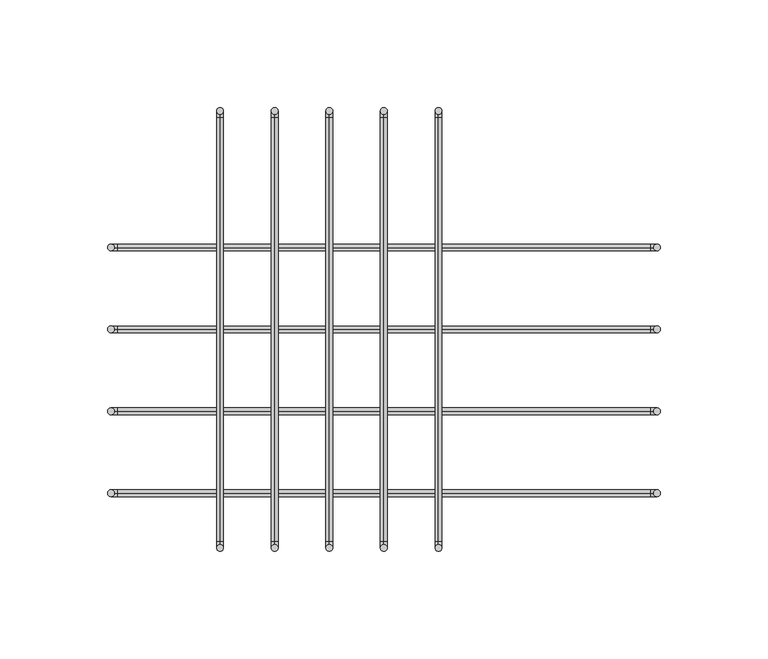
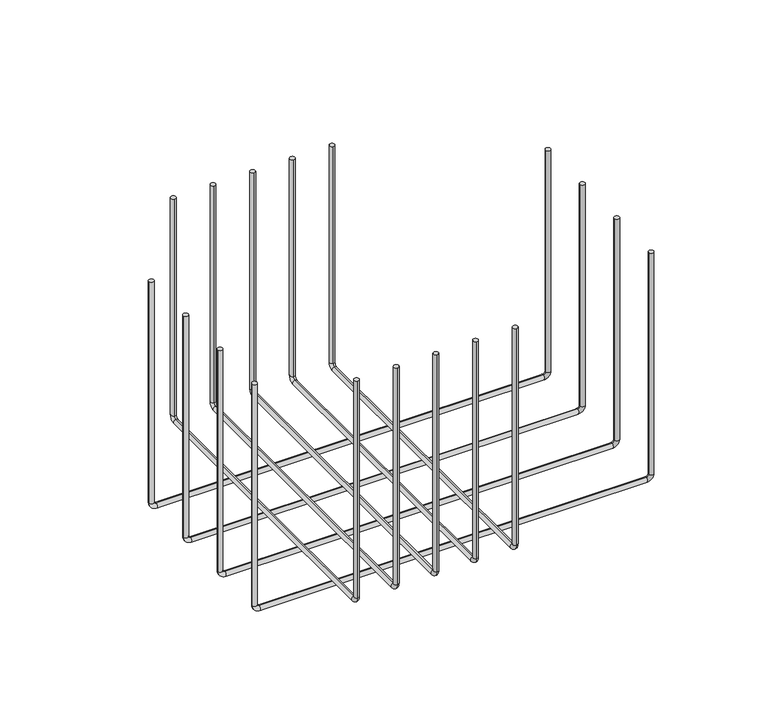
"""IFC4 building model written with IfcOpenShell, lengths in millimetres: furniture geometry."""

from ifc_helpers import new_model, si_unit, point, frame, origin, place, context, project, spatial, circle_curve, ellipse_curve, trimmed, source, transform, mapped, element, save
from ifc_brep_helpers import plane_surface, cylinder_surface, revolved_surface, advanced_brep


def furniture_e6deb5ba(model_context):
    return source(origin(), model_context, "Body", "AdvancedBrep", [
        advanced_brep(
        [(25.34412, -144.3898724, 1207.8866133), (25.34412, -141.2148724, 1207.8866133), (25.34412, 61.9851276, 1207.8866133), (25.34412, 58.8101276, 1207.8866133), (25.34412, -144.3898724, 1061.0687167), (25.34412, -141.2148724, 1061.0687167), (25.34412, -139.6273724, 1059.4812167), (25.34412, -139.6273724, 1056.3062167), (25.34412, 57.2226276, 1056.3062167), (25.34412, 57.2226276, 1059.4812167), (25.34412, 58.8101276, 1061.0687167), (25.34412, 61.9851276, 1061.0687167)],
        [
            (0, 1, circle_curve(frame((25.34412, -142.8023724, 1207.8866133), z_axis=(0.0, 0.0, 1.0), x_axis=(1.0, 0.0, 0.0)), 1.5875)),
            (1, 0, circle_curve(frame((25.34412, -142.8023724, 1207.8866133), z_axis=(0.0, 0.0, 1.0), x_axis=(1.0, 0.0, 0.0)), 1.5875)),
            (2, 3, circle_curve(frame((25.34412, 60.3976276, 1207.8866133), z_axis=(0.0, 0.0, 1.0), x_axis=(1.0, 0.0, 0.0)), 1.5875)),
            (3, 2, circle_curve(frame((25.34412, 60.3976276, 1207.8866133), z_axis=(0.0, 0.0, 1.0), x_axis=(1.0, 0.0, 0.0)), 1.5875)),
            (0, 4),
            (4, 5, circle_curve(frame((25.34412, -142.8023724, 1061.0687167), z_axis=(0.0, 0.0, 1.0), x_axis=(1.0, 0.0, 0.0)), 1.5875)),
            (5, 1),
            (5, 4, circle_curve(frame((25.34412, -142.8023724, 1061.0687167), z_axis=(0.0, 0.0, 1.0), x_axis=(1.0, 0.0, 0.0)), 1.5875)),
            (6, 7, circle_curve(frame((25.34412, -139.6273724, 1057.8937167), z_axis=(0.0, 1.0, 0.0), x_axis=(1.0, 0.0, 0.0)), 1.5875)),
            (7, 8),
            (8, 9, circle_curve(frame((25.34412, 57.2226276, 1057.8937167), z_axis=(0.0, -1.0, 0.0), x_axis=(1.0, 0.0, 0.0)), 1.5875)),
            (9, 6),
            (7, 6, circle_curve(frame((25.34412, -139.6273724, 1057.8937167), z_axis=(0.0, 1.0, 0.0), x_axis=(1.0, 0.0, 0.0)), 1.5875)),
            (9, 8, circle_curve(frame((25.34412, 57.2226276, 1057.8937167), z_axis=(0.0, -1.0, 0.0), x_axis=(1.0, 0.0, 0.0)), 1.5875)),
            (10, 11, circle_curve(frame((25.34412, 60.3976276, 1061.0687167), z_axis=(0.0, 0.0, 1.0), x_axis=(1.0, 0.0, 0.0)), 1.5875)),
            (11, 2),
            (3, 10),
            (11, 10, circle_curve(frame((25.34412, 60.3976276, 1061.0687167), z_axis=(0.0, 0.0, 1.0), x_axis=(1.0, 0.0, 0.0)), 1.5875)),
            (6, 5, circle_curve(frame((25.34412, -139.6273724, 1061.0687167), z_axis=(-1.0, 0.0, 0.0), x_axis=(0.0, -1.0, 0.0)), 1.5875)),
            (4, 7, circle_curve(frame((25.34412, -139.6273724, 1061.0687167), z_axis=(1.0, 0.0, 0.0), x_axis=(0.0, -1.0, 0.0)), 4.7625)),
            (10, 9, circle_curve(frame((25.34412, 57.2226276, 1061.0687167), z_axis=(-1.0, 0.0, 0.0), x_axis=(0.0, 0.0, -1.0)), 1.5875)),
            (8, 11, circle_curve(frame((25.34412, 57.2226276, 1061.0687167), z_axis=(1.0, 0.0, 0.0), x_axis=(0.0, 0.0, -1.0)), 4.7625)),
        ],
        [
            plane_surface(frame((25.34412, -144.3898724, 1207.8866133), z_axis=(0.0, 0.0, 1.0), x_axis=(1.0, 0.0, 0.0))),
            plane_surface(frame((25.34412, 61.9851276, 1207.8866133), z_axis=(0.0, 0.0, 1.0), x_axis=(1.0, 0.0, 0.0))),
            cylinder_surface(frame((25.34412, -142.8023724, 1207.8866133), z_axis=(0.0, 0.0, 1.0), x_axis=(1.0, 0.0, 0.0)), 1.5875),
            cylinder_surface(frame((25.34412, -139.6273724, 1057.8937167), z_axis=(0.0, -1.0, 0.0), x_axis=(1.0, 0.0, 0.0)), 1.5875),
            cylinder_surface(frame((25.34412, 60.3976276, 1061.0687167), z_axis=(0.0, 0.0, -1.0), x_axis=(1.0, 0.0, 0.0)), 1.5875),
            revolved_surface(trimmed(ellipse_curve(frame((25.34412, -142.8023724, 1061.0687167), z_axis=(0.0, 0.0, 1.0), x_axis=(1.0, 0.0, 0.0)), 1.5875, 1.5875), [point((25.34412, -144.3898724, 1061.0687167))], [point((25.34412, -141.2148724, 1061.0687167))], True, "CARTESIAN"), (25.34412, -139.6273724, 1061.0687167), (1.0, 0.0, 0.0)),
            revolved_surface(trimmed(ellipse_curve(frame((25.34412, -142.8023724, 1061.0687167), z_axis=(0.0, 0.0, 1.0), x_axis=(1.0, 0.0, 0.0)), 1.5875, 1.5875), [point((25.34412, -141.2148724, 1061.0687167))], [point((25.34412, -144.3898724, 1061.0687167))], True, "CARTESIAN"), (25.34412, -139.6273724, 1061.0687167), (1.0, 0.0, 0.0)),
            revolved_surface(trimmed(ellipse_curve(frame((25.34412, 57.2226276, 1057.8937167), z_axis=(0.0, -1.0, 0.0), x_axis=(1.0, 0.0, 0.0)), 1.5875, 1.5875), [point((25.34412, 57.2226276, 1056.3062167))], [point((25.34412, 57.2226276, 1059.4812167))], True, "CARTESIAN"), (25.34412, 57.2226276, 1061.0687167), (1.0, 0.0, 0.0)),
            revolved_surface(trimmed(ellipse_curve(frame((25.34412, 57.2226276, 1057.8937167), z_axis=(0.0, -1.0, 0.0), x_axis=(1.0, 0.0, 0.0)), 1.5875, 1.5875), [point((25.34412, 57.2226276, 1059.4812167))], [point((25.34412, 57.2226276, 1056.3062167))], True, "CARTESIAN"), (25.34412, 57.2226276, 1061.0687167), (1.0, 0.0, 0.0)),
        ],
        [
            (0, [[1, 2]]),
            (1, [[3, 4]]),
            (2, [[-1, 5, 6, 7]]),
            (2, [[-2, -7, 8, -5]]),
            (3, [[9, 10, 11, 12]]),
            (3, [[13, -12, 14, -10]]),
            (4, [[15, 16, -4, 17]]),
            (4, [[18, -17, -3, -16]]),
            (5, [[19, -6, 20, -9]]),
            (6, [[-20, -8, -19, -13]]),
            (7, [[21, -11, 22, -15]]),
            (8, [[-22, -14, -21, -18]]),
        ],
    ),
        advanced_brep(
        [(-0.05588, -144.3898724, 1207.8866133), (-0.05588, -141.2148724, 1207.8866133), (-0.05588, 61.9851276, 1207.8866133), (-0.05588, 58.8101276, 1207.8866133), (-0.05588, -144.3898724, 1061.0687167), (-0.05588, -141.2148724, 1061.0687167), (-0.05588, -139.6273724, 1059.4812167), (-0.05588, -139.6273724, 1056.3062167), (-0.05588, 57.2226276, 1056.3062167), (-0.05588, 57.2226276, 1059.4812167), (-0.05588, 58.8101276, 1061.0687167), (-0.05588, 61.9851276, 1061.0687167)],
        [
            (0, 1, circle_curve(frame((-0.05588, -142.8023724, 1207.8866133), z_axis=(0.0, 0.0, 1.0), x_axis=(1.0, 0.0, 0.0)), 1.5875)),
            (1, 0, circle_curve(frame((-0.05588, -142.8023724, 1207.8866133), z_axis=(0.0, 0.0, 1.0), x_axis=(1.0, 0.0, 0.0)), 1.5875)),
            (2, 3, circle_curve(frame((-0.05588, 60.3976276, 1207.8866133), z_axis=(0.0, 0.0, 1.0), x_axis=(1.0, 0.0, 0.0)), 1.5875)),
            (3, 2, circle_curve(frame((-0.05588, 60.3976276, 1207.8866133), z_axis=(0.0, 0.0, 1.0), x_axis=(1.0, 0.0, 0.0)), 1.5875)),
            (0, 4),
            (4, 5, circle_curve(frame((-0.05588, -142.8023724, 1061.0687167), z_axis=(0.0, 0.0, 1.0), x_axis=(1.0, 0.0, 0.0)), 1.5875)),
            (5, 1),
            (5, 4, circle_curve(frame((-0.05588, -142.8023724, 1061.0687167), z_axis=(0.0, 0.0, 1.0), x_axis=(1.0, 0.0, 0.0)), 1.5875)),
            (6, 7, circle_curve(frame((-0.05588, -139.6273724, 1057.8937167), z_axis=(0.0, 1.0, 0.0), x_axis=(1.0, 0.0, 0.0)), 1.5875)),
            (7, 8),
            (8, 9, circle_curve(frame((-0.05588, 57.2226276, 1057.8937167), z_axis=(0.0, -1.0, 0.0), x_axis=(1.0, 0.0, 0.0)), 1.5875)),
            (9, 6),
            (7, 6, circle_curve(frame((-0.05588, -139.6273724, 1057.8937167), z_axis=(0.0, 1.0, 0.0), x_axis=(1.0, 0.0, 0.0)), 1.5875)),
            (9, 8, circle_curve(frame((-0.05588, 57.2226276, 1057.8937167), z_axis=(0.0, -1.0, 0.0), x_axis=(1.0, 0.0, 0.0)), 1.5875)),
            (10, 11, circle_curve(frame((-0.05588, 60.3976276, 1061.0687167), z_axis=(0.0, 0.0, 1.0), x_axis=(1.0, 0.0, 0.0)), 1.5875)),
            (11, 2),
            (3, 10),
            (11, 10, circle_curve(frame((-0.05588, 60.3976276, 1061.0687167), z_axis=(0.0, 0.0, 1.0), x_axis=(1.0, 0.0, 0.0)), 1.5875)),
            (6, 5, circle_curve(frame((-0.05588, -139.6273724, 1061.0687167), z_axis=(-1.0, 0.0, 0.0), x_axis=(0.0, -1.0, 0.0)), 1.5875)),
            (4, 7, circle_curve(frame((-0.05588, -139.6273724, 1061.0687167), z_axis=(1.0, 0.0, 0.0), x_axis=(0.0, -1.0, 0.0)), 4.7625)),
            (10, 9, circle_curve(frame((-0.05588, 57.2226276, 1061.0687167), z_axis=(-1.0, 0.0, 0.0), x_axis=(0.0, 0.0, -1.0)), 1.5875)),
            (8, 11, circle_curve(frame((-0.05588, 57.2226276, 1061.0687167), z_axis=(1.0, 0.0, 0.0), x_axis=(0.0, 0.0, -1.0)), 4.7625)),
        ],
        [
            plane_surface(frame((-0.05588, -144.3898724, 1207.8866133), z_axis=(0.0, 0.0, 1.0), x_axis=(1.0, 0.0, 0.0))),
            plane_surface(frame((-0.05588, 61.9851276, 1207.8866133), z_axis=(0.0, 0.0, 1.0), x_axis=(1.0, 0.0, 0.0))),
            cylinder_surface(frame((-0.05588, -142.8023724, 1207.8866133), z_axis=(0.0, 0.0, 1.0), x_axis=(1.0, 0.0, 0.0)), 1.5875),
            cylinder_surface(frame((-0.05588, -139.6273724, 1057.8937167), z_axis=(0.0, -1.0, 0.0), x_axis=(1.0, 0.0, 0.0)), 1.5875),
            cylinder_surface(frame((-0.05588, 60.3976276, 1061.0687167), z_axis=(0.0, 0.0, -1.0), x_axis=(1.0, 0.0, 0.0)), 1.5875),
            revolved_surface(trimmed(ellipse_curve(frame((-0.05588, -142.8023724, 1061.0687167), z_axis=(0.0, 0.0, 1.0), x_axis=(1.0, 0.0, 0.0)), 1.5875, 1.5875), [point((-0.05588, -144.3898724, 1061.0687167))], [point((-0.05588, -141.2148724, 1061.0687167))], True, "CARTESIAN"), (-0.05588, -139.6273724, 1061.0687167), (1.0, 0.0, 0.0)),
            revolved_surface(trimmed(ellipse_curve(frame((-0.05588, -142.8023724, 1061.0687167), z_axis=(0.0, 0.0, 1.0), x_axis=(1.0, 0.0, 0.0)), 1.5875, 1.5875), [point((-0.05588, -141.2148724, 1061.0687167))], [point((-0.05588, -144.3898724, 1061.0687167))], True, "CARTESIAN"), (-0.05588, -139.6273724, 1061.0687167), (1.0, 0.0, 0.0)),
            revolved_surface(trimmed(ellipse_curve(frame((-0.05588, 57.2226276, 1057.8937167), z_axis=(0.0, -1.0, 0.0), x_axis=(1.0, 0.0, 0.0)), 1.5875, 1.5875), [point((-0.05588, 57.2226276, 1056.3062167))], [point((-0.05588, 57.2226276, 1059.4812167))], True, "CARTESIAN"), (-0.05588, 57.2226276, 1061.0687167), (1.0, 0.0, 0.0)),
            revolved_surface(trimmed(ellipse_curve(frame((-0.05588, 57.2226276, 1057.8937167), z_axis=(0.0, -1.0, 0.0), x_axis=(1.0, 0.0, 0.0)), 1.5875, 1.5875), [point((-0.05588, 57.2226276, 1059.4812167))], [point((-0.05588, 57.2226276, 1056.3062167))], True, "CARTESIAN"), (-0.05588, 57.2226276, 1061.0687167), (1.0, 0.0, 0.0)),
        ],
        [
            (0, [[1, 2]]),
            (1, [[3, 4]]),
            (2, [[-1, 5, 6, 7]]),
            (2, [[-2, -7, 8, -5]]),
            (3, [[9, 10, 11, 12]]),
            (3, [[13, -12, 14, -10]]),
            (4, [[15, 16, -4, 17]]),
            (4, [[18, -17, -3, -16]]),
            (5, [[19, -6, 20, -9]]),
            (6, [[-20, -8, -19, -13]]),
            (7, [[21, -11, 22, -15]]),
            (8, [[-22, -14, -21, -18]]),
        ],
    ),
        advanced_brep(
        [(-25.45588, -144.3898724, 1207.8866133), (-25.45588, -141.2148724, 1207.8866133), (-25.45588, 61.9851276, 1207.8866133), (-25.45588, 58.8101276, 1207.8866133), (-25.45588, -144.3898724, 1061.0687167), (-25.45588, -141.2148724, 1061.0687167), (-25.45588, -139.6273724, 1059.4812167), (-25.45588, -139.6273724, 1056.3062167), (-25.45588, 57.2226276, 1056.3062167), (-25.45588, 57.2226276, 1059.4812167), (-25.45588, 58.8101276, 1061.0687167), (-25.45588, 61.9851276, 1061.0687167)],
        [
            (0, 1, circle_curve(frame((-25.45588, -142.8023724, 1207.8866133), z_axis=(0.0, 0.0, 1.0), x_axis=(1.0, 0.0, 0.0)), 1.5875)),
            (1, 0, circle_curve(frame((-25.45588, -142.8023724, 1207.8866133), z_axis=(0.0, 0.0, 1.0), x_axis=(1.0, 0.0, 0.0)), 1.5875)),
            (2, 3, circle_curve(frame((-25.45588, 60.3976276, 1207.8866133), z_axis=(0.0, 0.0, 1.0), x_axis=(1.0, 0.0, 0.0)), 1.5875)),
            (3, 2, circle_curve(frame((-25.45588, 60.3976276, 1207.8866133), z_axis=(0.0, 0.0, 1.0), x_axis=(1.0, 0.0, 0.0)), 1.5875)),
            (0, 4),
            (4, 5, circle_curve(frame((-25.45588, -142.8023724, 1061.0687167), z_axis=(0.0, 0.0, 1.0), x_axis=(1.0, 0.0, 0.0)), 1.5875)),
            (5, 1),
            (5, 4, circle_curve(frame((-25.45588, -142.8023724, 1061.0687167), z_axis=(0.0, 0.0, 1.0), x_axis=(1.0, 0.0, 0.0)), 1.5875)),
            (6, 7, circle_curve(frame((-25.45588, -139.6273724, 1057.8937167), z_axis=(0.0, 1.0, 0.0), x_axis=(1.0, 0.0, 0.0)), 1.5875)),
            (7, 8),
            (8, 9, circle_curve(frame((-25.45588, 57.2226276, 1057.8937167), z_axis=(0.0, -1.0, 0.0), x_axis=(1.0, 0.0, 0.0)), 1.5875)),
            (9, 6),
            (7, 6, circle_curve(frame((-25.45588, -139.6273724, 1057.8937167), z_axis=(0.0, 1.0, 0.0), x_axis=(1.0, 0.0, 0.0)), 1.5875)),
            (9, 8, circle_curve(frame((-25.45588, 57.2226276, 1057.8937167), z_axis=(0.0, -1.0, 0.0), x_axis=(1.0, 0.0, 0.0)), 1.5875)),
            (10, 11, circle_curve(frame((-25.45588, 60.3976276, 1061.0687167), z_axis=(0.0, 0.0, 1.0), x_axis=(1.0, 0.0, 0.0)), 1.5875)),
            (11, 2),
            (3, 10),
            (11, 10, circle_curve(frame((-25.45588, 60.3976276, 1061.0687167), z_axis=(0.0, 0.0, 1.0), x_axis=(1.0, 0.0, 0.0)), 1.5875)),
            (6, 5, circle_curve(frame((-25.45588, -139.6273724, 1061.0687167), z_axis=(-1.0, 0.0, 0.0), x_axis=(0.0, -1.0, 0.0)), 1.5875)),
            (4, 7, circle_curve(frame((-25.45588, -139.6273724, 1061.0687167), z_axis=(1.0, 0.0, 0.0), x_axis=(0.0, -1.0, 0.0)), 4.7625)),
            (10, 9, circle_curve(frame((-25.45588, 57.2226276, 1061.0687167), z_axis=(-1.0, 0.0, 0.0), x_axis=(0.0, 0.0, -1.0)), 1.5875)),
            (8, 11, circle_curve(frame((-25.45588, 57.2226276, 1061.0687167), z_axis=(1.0, 0.0, 0.0), x_axis=(0.0, 0.0, -1.0)), 4.7625)),
        ],
        [
            plane_surface(frame((-25.45588, -144.3898724, 1207.8866133), z_axis=(0.0, 0.0, 1.0), x_axis=(1.0, 0.0, 0.0))),
            plane_surface(frame((-25.45588, 61.9851276, 1207.8866133), z_axis=(0.0, 0.0, 1.0), x_axis=(1.0, 0.0, 0.0))),
            cylinder_surface(frame((-25.45588, -142.8023724, 1207.8866133), z_axis=(0.0, 0.0, 1.0), x_axis=(1.0, 0.0, 0.0)), 1.5875),
            cylinder_surface(frame((-25.45588, -139.6273724, 1057.8937167), z_axis=(0.0, -1.0, 0.0), x_axis=(1.0, 0.0, 0.0)), 1.5875),
            cylinder_surface(frame((-25.45588, 60.3976276, 1061.0687167), z_axis=(0.0, 0.0, -1.0), x_axis=(1.0, 0.0, 0.0)), 1.5875),
            revolved_surface(trimmed(ellipse_curve(frame((-25.45588, -142.8023724, 1061.0687167), z_axis=(0.0, 0.0, 1.0), x_axis=(1.0, 0.0, 0.0)), 1.5875, 1.5875), [point((-25.45588, -144.3898724, 1061.0687167))], [point((-25.45588, -141.2148724, 1061.0687167))], True, "CARTESIAN"), (-25.45588, -139.6273724, 1061.0687167), (1.0, 0.0, 0.0)),
            revolved_surface(trimmed(ellipse_curve(frame((-25.45588, -142.8023724, 1061.0687167), z_axis=(0.0, 0.0, 1.0), x_axis=(1.0, 0.0, 0.0)), 1.5875, 1.5875), [point((-25.45588, -141.2148724, 1061.0687167))], [point((-25.45588, -144.3898724, 1061.0687167))], True, "CARTESIAN"), (-25.45588, -139.6273724, 1061.0687167), (1.0, 0.0, 0.0)),
            revolved_surface(trimmed(ellipse_curve(frame((-25.45588, 57.2226276, 1057.8937167), z_axis=(0.0, -1.0, 0.0), x_axis=(1.0, 0.0, 0.0)), 1.5875, 1.5875), [point((-25.45588, 57.2226276, 1056.3062167))], [point((-25.45588, 57.2226276, 1059.4812167))], True, "CARTESIAN"), (-25.45588, 57.2226276, 1061.0687167), (1.0, 0.0, 0.0)),
            revolved_surface(trimmed(ellipse_curve(frame((-25.45588, 57.2226276, 1057.8937167), z_axis=(0.0, -1.0, 0.0), x_axis=(1.0, 0.0, 0.0)), 1.5875, 1.5875), [point((-25.45588, 57.2226276, 1059.4812167))], [point((-25.45588, 57.2226276, 1056.3062167))], True, "CARTESIAN"), (-25.45588, 57.2226276, 1061.0687167), (1.0, 0.0, 0.0)),
        ],
        [
            (0, [[1, 2]]),
            (1, [[3, 4]]),
            (2, [[-1, 5, 6, 7]]),
            (2, [[-2, -7, 8, -5]]),
            (3, [[9, 10, 11, 12]]),
            (3, [[13, -12, 14, -10]]),
            (4, [[15, 16, -4, 17]]),
            (4, [[18, -17, -3, -16]]),
            (5, [[19, -6, 20, -9]]),
            (6, [[-20, -8, -19, -13]]),
            (7, [[21, -11, 22, -15]]),
            (8, [[-22, -14, -21, -18]]),
        ],
    ),
        advanced_brep(
        [(-50.85588, -144.3898724, 1207.8866133), (-50.85588, -141.2148724, 1207.8866133), (-50.85588, 61.9851276, 1207.8866133), (-50.85588, 58.8101276, 1207.8866133), (-50.85588, -144.3898724, 1061.0687167), (-50.85588, -141.2148724, 1061.0687167), (-50.85588, -139.6273724, 1059.4812167), (-50.85588, -139.6273724, 1056.3062167), (-50.85588, 57.2226276, 1056.3062167), (-50.85588, 57.2226276, 1059.4812167), (-50.85588, 58.8101276, 1061.0687167), (-50.85588, 61.9851276, 1061.0687167)],
        [
            (0, 1, circle_curve(frame((-50.85588, -142.8023724, 1207.8866133), z_axis=(0.0, 0.0, 1.0), x_axis=(1.0, 0.0, 0.0)), 1.5875)),
            (1, 0, circle_curve(frame((-50.85588, -142.8023724, 1207.8866133), z_axis=(0.0, 0.0, 1.0), x_axis=(1.0, 0.0, 0.0)), 1.5875)),
            (2, 3, circle_curve(frame((-50.85588, 60.3976276, 1207.8866133), z_axis=(0.0, 0.0, 1.0), x_axis=(1.0, 0.0, 0.0)), 1.5875)),
            (3, 2, circle_curve(frame((-50.85588, 60.3976276, 1207.8866133), z_axis=(0.0, 0.0, 1.0), x_axis=(1.0, 0.0, 0.0)), 1.5875)),
            (0, 4),
            (4, 5, circle_curve(frame((-50.85588, -142.8023724, 1061.0687167), z_axis=(0.0, 0.0, 1.0), x_axis=(1.0, 0.0, 0.0)), 1.5875)),
            (5, 1),
            (5, 4, circle_curve(frame((-50.85588, -142.8023724, 1061.0687167), z_axis=(0.0, 0.0, 1.0), x_axis=(1.0, 0.0, 0.0)), 1.5875)),
            (6, 7, circle_curve(frame((-50.85588, -139.6273724, 1057.8937167), z_axis=(0.0, 1.0, 0.0), x_axis=(1.0, 0.0, 0.0)), 1.5875)),
            (7, 8),
            (8, 9, circle_curve(frame((-50.85588, 57.2226276, 1057.8937167), z_axis=(0.0, -1.0, 0.0), x_axis=(1.0, 0.0, 0.0)), 1.5875)),
            (9, 6),
            (7, 6, circle_curve(frame((-50.85588, -139.6273724, 1057.8937167), z_axis=(0.0, 1.0, 0.0), x_axis=(1.0, 0.0, 0.0)), 1.5875)),
            (9, 8, circle_curve(frame((-50.85588, 57.2226276, 1057.8937167), z_axis=(0.0, -1.0, 0.0), x_axis=(1.0, 0.0, 0.0)), 1.5875)),
            (10, 11, circle_curve(frame((-50.85588, 60.3976276, 1061.0687167), z_axis=(0.0, 0.0, 1.0), x_axis=(1.0, 0.0, 0.0)), 1.5875)),
            (11, 2),
            (3, 10),
            (11, 10, circle_curve(frame((-50.85588, 60.3976276, 1061.0687167), z_axis=(0.0, 0.0, 1.0), x_axis=(1.0, 0.0, 0.0)), 1.5875)),
            (6, 5, circle_curve(frame((-50.85588, -139.6273724, 1061.0687167), z_axis=(-1.0, 0.0, 0.0), x_axis=(0.0, -1.0, 0.0)), 1.5875)),
            (4, 7, circle_curve(frame((-50.85588, -139.6273724, 1061.0687167), z_axis=(1.0, 0.0, 0.0), x_axis=(0.0, -1.0, 0.0)), 4.7625)),
            (10, 9, circle_curve(frame((-50.85588, 57.2226276, 1061.0687167), z_axis=(-1.0, 0.0, 0.0), x_axis=(0.0, 0.0, -1.0)), 1.5875)),
            (8, 11, circle_curve(frame((-50.85588, 57.2226276, 1061.0687167), z_axis=(1.0, 0.0, 0.0), x_axis=(0.0, 0.0, -1.0)), 4.7625)),
        ],
        [
            plane_surface(frame((-50.85588, -144.3898724, 1207.8866133), z_axis=(0.0, 0.0, 1.0), x_axis=(1.0, 0.0, 0.0))),
            plane_surface(frame((-50.85588, 61.9851276, 1207.8866133), z_axis=(0.0, 0.0, 1.0), x_axis=(1.0, 0.0, 0.0))),
            cylinder_surface(frame((-50.85588, -142.8023724, 1207.8866133), z_axis=(0.0, 0.0, 1.0), x_axis=(1.0, 0.0, 0.0)), 1.5875),
            cylinder_surface(frame((-50.85588, -139.6273724, 1057.8937167), z_axis=(0.0, -1.0, 0.0), x_axis=(1.0, 0.0, 0.0)), 1.5875),
            cylinder_surface(frame((-50.85588, 60.3976276, 1061.0687167), z_axis=(0.0, 0.0, -1.0), x_axis=(1.0, 0.0, 0.0)), 1.5875),
            revolved_surface(trimmed(ellipse_curve(frame((-50.85588, -142.8023724, 1061.0687167), z_axis=(0.0, 0.0, 1.0), x_axis=(1.0, 0.0, 0.0)), 1.5875, 1.5875), [point((-50.85588, -144.3898724, 1061.0687167))], [point((-50.85588, -141.2148724, 1061.0687167))], True, "CARTESIAN"), (-50.85588, -139.6273724, 1061.0687167), (1.0, 0.0, 0.0)),
            revolved_surface(trimmed(ellipse_curve(frame((-50.85588, -142.8023724, 1061.0687167), z_axis=(0.0, 0.0, 1.0), x_axis=(1.0, 0.0, 0.0)), 1.5875, 1.5875), [point((-50.85588, -141.2148724, 1061.0687167))], [point((-50.85588, -144.3898724, 1061.0687167))], True, "CARTESIAN"), (-50.85588, -139.6273724, 1061.0687167), (1.0, 0.0, 0.0)),
            revolved_surface(trimmed(ellipse_curve(frame((-50.85588, 57.2226276, 1057.8937167), z_axis=(0.0, -1.0, 0.0), x_axis=(1.0, 0.0, 0.0)), 1.5875, 1.5875), [point((-50.85588, 57.2226276, 1056.3062167))], [point((-50.85588, 57.2226276, 1059.4812167))], True, "CARTESIAN"), (-50.85588, 57.2226276, 1061.0687167), (1.0, 0.0, 0.0)),
            revolved_surface(trimmed(ellipse_curve(frame((-50.85588, 57.2226276, 1057.8937167), z_axis=(0.0, -1.0, 0.0), x_axis=(1.0, 0.0, 0.0)), 1.5875, 1.5875), [point((-50.85588, 57.2226276, 1059.4812167))], [point((-50.85588, 57.2226276, 1056.3062167))], True, "CARTESIAN"), (-50.85588, 57.2226276, 1061.0687167), (1.0, 0.0, 0.0)),
        ],
        [
            (0, [[1, 2]]),
            (1, [[3, 4]]),
            (2, [[-1, 5, 6, 7]]),
            (2, [[-2, -7, 8, -5]]),
            (3, [[9, 10, 11, 12]]),
            (3, [[13, -12, 14, -10]]),
            (4, [[15, 16, -4, 17]]),
            (4, [[18, -17, -3, -16]]),
            (5, [[19, -6, 20, -9]]),
            (6, [[-20, -8, -19, -13]]),
            (7, [[21, -11, 22, -15]]),
            (8, [[-22, -14, -21, -18]]),
        ],
    ),
        advanced_brep(
        [(128.5875, -3.1023724, 1207.8866133), (125.4125, -3.1023724, 1207.8866133), (-128.5875, -3.1023724, 1207.8866133), (-125.4125, -3.1023724, 1207.8866133), (128.5875, -3.1023724, 1057.8937167), (125.4125, -3.1023724, 1057.8937167), (123.825, -3.1023724, 1056.3062167), (123.825, -3.1023724, 1053.1312167), (-123.825, -3.1023724, 1053.1312167), (-123.825, -3.1023724, 1056.3062167), (-125.4125, -3.1023724, 1057.8937167), (-128.5875, -3.1023724, 1057.8937167)],
        [
            (0, 1, circle_curve(frame((127.0, -3.1023724, 1207.8866133), z_axis=(0.0, 0.0, 1.0), x_axis=(0.0, 1.0, 0.0)), 1.5875)),
            (1, 0, circle_curve(frame((127.0, -3.1023724, 1207.8866133), z_axis=(0.0, 0.0, 1.0), x_axis=(0.0, 1.0, 0.0)), 1.5875)),
            (2, 3, circle_curve(frame((-127.0, -3.1023724, 1207.8866133), z_axis=(0.0, 0.0, 1.0), x_axis=(0.0, 1.0, 0.0)), 1.5875)),
            (3, 2, circle_curve(frame((-127.0, -3.1023724, 1207.8866133), z_axis=(0.0, 0.0, 1.0), x_axis=(0.0, 1.0, 0.0)), 1.5875)),
            (0, 4),
            (4, 5, circle_curve(frame((127.0, -3.1023724, 1057.8937167), z_axis=(0.0, 0.0, 1.0), x_axis=(0.0, 1.0, 0.0)), 1.5875)),
            (5, 1),
            (5, 4, circle_curve(frame((127.0, -3.1023724, 1057.8937167), z_axis=(0.0, 0.0, 1.0), x_axis=(0.0, 1.0, 0.0)), 1.5875)),
            (6, 7, circle_curve(frame((123.825, -3.1023724, 1054.7187167), z_axis=(-1.0, 0.0, 0.0), x_axis=(0.0, 1.0, 0.0)), 1.5875)),
            (7, 8),
            (8, 9, circle_curve(frame((-123.825, -3.1023724, 1054.7187167), z_axis=(1.0, 0.0, 0.0), x_axis=(0.0, 1.0, 0.0)), 1.5875)),
            (9, 6),
            (7, 6, circle_curve(frame((123.825, -3.1023724, 1054.7187167), z_axis=(-1.0, 0.0, 0.0), x_axis=(0.0, 1.0, 0.0)), 1.5875)),
            (9, 8, circle_curve(frame((-123.825, -3.1023724, 1054.7187167), z_axis=(1.0, 0.0, 0.0), x_axis=(0.0, 1.0, 0.0)), 1.5875)),
            (10, 11, circle_curve(frame((-127.0, -3.1023724, 1057.8937167), z_axis=(0.0, 0.0, 1.0), x_axis=(0.0, 1.0, 0.0)), 1.5875)),
            (11, 2),
            (3, 10),
            (11, 10, circle_curve(frame((-127.0, -3.1023724, 1057.8937167), z_axis=(0.0, 0.0, 1.0), x_axis=(0.0, 1.0, 0.0)), 1.5875)),
            (6, 5, circle_curve(frame((123.825, -3.1023724, 1057.8937167), z_axis=(0.0, -1.0, 0.0), x_axis=(1.0, 0.0, 0.0)), 1.5875)),
            (4, 7, circle_curve(frame((123.825, -3.1023724, 1057.8937167), z_axis=(0.0, 1.0, 0.0), x_axis=(1.0, 0.0, 0.0)), 4.7625)),
            (10, 9, circle_curve(frame((-123.825, -3.1023724, 1057.8937167), z_axis=(0.0, -1.0, 0.0), x_axis=(0.0, 0.0, -1.0)), 1.5875)),
            (8, 11, circle_curve(frame((-123.825, -3.1023724, 1057.8937167), z_axis=(0.0, 1.0, 0.0), x_axis=(0.0, 0.0, -1.0)), 4.7625)),
        ],
        [
            plane_surface(frame((128.5875, -3.1023724, 1207.8866133), z_axis=(0.0, 0.0, 1.0), x_axis=(0.0, 1.0, 0.0))),
            plane_surface(frame((-128.5875, -3.1023724, 1207.8866133), z_axis=(0.0, 0.0, 1.0), x_axis=(0.0, 1.0, 0.0))),
            cylinder_surface(frame((127.0, -3.1023724, 1207.8866133), z_axis=(0.0, 0.0, 1.0), x_axis=(0.0, 1.0, 0.0)), 1.5875),
            cylinder_surface(frame((123.825, -3.1023724, 1054.7187167), z_axis=(1.0, 0.0, 0.0), x_axis=(0.0, 1.0, 0.0)), 1.5875),
            cylinder_surface(frame((-127.0, -3.1023724, 1057.8937167), z_axis=(0.0, 0.0, -1.0), x_axis=(0.0, 1.0, 0.0)), 1.5875),
            revolved_surface(trimmed(ellipse_curve(frame((127.0, -3.1023724, 1057.8937167), z_axis=(0.0, 0.0, 1.0), x_axis=(0.0, 1.0, 0.0)), 1.5875, 1.5875), [point((128.5875, -3.1023724, 1057.8937167))], [point((125.4125, -3.1023724, 1057.8937167))], True, "CARTESIAN"), (123.825, -3.1023724, 1057.8937167), (0.0, 1.0, 0.0)),
            revolved_surface(trimmed(ellipse_curve(frame((127.0, -3.1023724, 1057.8937167), z_axis=(0.0, 0.0, 1.0), x_axis=(0.0, 1.0, 0.0)), 1.5875, 1.5875), [point((125.4125, -3.1023724, 1057.8937167))], [point((128.5875, -3.1023724, 1057.8937167))], True, "CARTESIAN"), (123.825, -3.1023724, 1057.8937167), (0.0, 1.0, 0.0)),
            revolved_surface(trimmed(ellipse_curve(frame((-123.825, -3.1023724, 1054.7187167), z_axis=(1.0, 0.0, 0.0), x_axis=(0.0, 1.0, 0.0)), 1.5875, 1.5875), [point((-123.825, -3.1023724, 1053.1312167))], [point((-123.825, -3.1023724, 1056.3062167))], True, "CARTESIAN"), (-123.825, -3.1023724, 1057.8937167), (0.0, 1.0, 0.0)),
            revolved_surface(trimmed(ellipse_curve(frame((-123.825, -3.1023724, 1054.7187167), z_axis=(1.0, 0.0, 0.0), x_axis=(0.0, 1.0, 0.0)), 1.5875, 1.5875), [point((-123.825, -3.1023724, 1056.3062167))], [point((-123.825, -3.1023724, 1053.1312167))], True, "CARTESIAN"), (-123.825, -3.1023724, 1057.8937167), (0.0, 1.0, 0.0)),
        ],
        [
            (0, [[1, 2]]),
            (1, [[3, 4]]),
            (2, [[-1, 5, 6, 7]]),
            (2, [[-2, -7, 8, -5]]),
            (3, [[9, 10, 11, 12]]),
            (3, [[13, -12, 14, -10]]),
            (4, [[15, 16, -4, 17]]),
            (4, [[18, -17, -3, -16]]),
            (5, [[19, -6, 20, -9]]),
            (6, [[-20, -8, -19, -13]]),
            (7, [[21, -11, 22, -15]]),
            (8, [[-22, -14, -21, -18]]),
        ],
    ),
        advanced_brep(
        [(128.5875, -41.2023724, 1207.8866133), (125.4125, -41.2023724, 1207.8866133), (-128.5875, -41.2023724, 1207.8866133), (-125.4125, -41.2023724, 1207.8866133), (128.5875, -41.2023724, 1057.8937167), (125.4125, -41.2023724, 1057.8937167), (123.825, -41.2023724, 1056.3062167), (123.825, -41.2023724, 1053.1312167), (-123.825, -41.2023724, 1053.1312167), (-123.825, -41.2023724, 1056.3062167), (-125.4125, -41.2023724, 1057.8937167), (-128.5875, -41.2023724, 1057.8937167)],
        [
            (0, 1, circle_curve(frame((127.0, -41.2023724, 1207.8866133), z_axis=(0.0, 0.0, 1.0), x_axis=(0.0, 1.0, 0.0)), 1.5875)),
            (1, 0, circle_curve(frame((127.0, -41.2023724, 1207.8866133), z_axis=(0.0, 0.0, 1.0), x_axis=(0.0, 1.0, 0.0)), 1.5875)),
            (2, 3, circle_curve(frame((-127.0, -41.2023724, 1207.8866133), z_axis=(0.0, 0.0, 1.0), x_axis=(0.0, 1.0, 0.0)), 1.5875)),
            (3, 2, circle_curve(frame((-127.0, -41.2023724, 1207.8866133), z_axis=(0.0, 0.0, 1.0), x_axis=(0.0, 1.0, 0.0)), 1.5875)),
            (0, 4),
            (4, 5, circle_curve(frame((127.0, -41.2023724, 1057.8937167), z_axis=(0.0, 0.0, 1.0), x_axis=(0.0, 1.0, 0.0)), 1.5875)),
            (5, 1),
            (5, 4, circle_curve(frame((127.0, -41.2023724, 1057.8937167), z_axis=(0.0, 0.0, 1.0), x_axis=(0.0, 1.0, 0.0)), 1.5875)),
            (6, 7, circle_curve(frame((123.825, -41.2023724, 1054.7187167), z_axis=(-1.0, 0.0, 0.0), x_axis=(0.0, 1.0, 0.0)), 1.5875)),
            (7, 8),
            (8, 9, circle_curve(frame((-123.825, -41.2023724, 1054.7187167), z_axis=(1.0, 0.0, 0.0), x_axis=(0.0, 1.0, 0.0)), 1.5875)),
            (9, 6),
            (7, 6, circle_curve(frame((123.825, -41.2023724, 1054.7187167), z_axis=(-1.0, 0.0, 0.0), x_axis=(0.0, 1.0, 0.0)), 1.5875)),
            (9, 8, circle_curve(frame((-123.825, -41.2023724, 1054.7187167), z_axis=(1.0, 0.0, 0.0), x_axis=(0.0, 1.0, 0.0)), 1.5875)),
            (10, 11, circle_curve(frame((-127.0, -41.2023724, 1057.8937167), z_axis=(0.0, 0.0, 1.0), x_axis=(0.0, 1.0, 0.0)), 1.5875)),
            (11, 2),
            (3, 10),
            (11, 10, circle_curve(frame((-127.0, -41.2023724, 1057.8937167), z_axis=(0.0, 0.0, 1.0), x_axis=(0.0, 1.0, 0.0)), 1.5875)),
            (6, 5, circle_curve(frame((123.825, -41.2023724, 1057.8937167), z_axis=(0.0, -1.0, 0.0), x_axis=(1.0, 0.0, 0.0)), 1.5875)),
            (4, 7, circle_curve(frame((123.825, -41.2023724, 1057.8937167), z_axis=(0.0, 1.0, 0.0), x_axis=(1.0, 0.0, 0.0)), 4.7625)),
            (10, 9, circle_curve(frame((-123.825, -41.2023724, 1057.8937167), z_axis=(0.0, -1.0, 0.0), x_axis=(0.0, 0.0, -1.0)), 1.5875)),
            (8, 11, circle_curve(frame((-123.825, -41.2023724, 1057.8937167), z_axis=(0.0, 1.0, 0.0), x_axis=(0.0, 0.0, -1.0)), 4.7625)),
        ],
        [
            plane_surface(frame((128.5875, -41.2023724, 1207.8866133), z_axis=(0.0, 0.0, 1.0), x_axis=(0.0, 1.0, 0.0))),
            plane_surface(frame((-128.5875, -41.2023724, 1207.8866133), z_axis=(0.0, 0.0, 1.0), x_axis=(0.0, 1.0, 0.0))),
            cylinder_surface(frame((127.0, -41.2023724, 1207.8866133), z_axis=(0.0, 0.0, 1.0), x_axis=(0.0, 1.0, 0.0)), 1.5875),
            cylinder_surface(frame((123.825, -41.2023724, 1054.7187167), z_axis=(1.0, 0.0, 0.0), x_axis=(0.0, 1.0, 0.0)), 1.5875),
            cylinder_surface(frame((-127.0, -41.2023724, 1057.8937167), z_axis=(0.0, 0.0, -1.0), x_axis=(0.0, 1.0, 0.0)), 1.5875),
            revolved_surface(trimmed(ellipse_curve(frame((127.0, -41.2023724, 1057.8937167), z_axis=(0.0, 0.0, 1.0), x_axis=(0.0, 1.0, 0.0)), 1.5875, 1.5875), [point((128.5875, -41.2023724, 1057.8937167))], [point((125.4125, -41.2023724, 1057.8937167))], True, "CARTESIAN"), (123.825, -41.2023724, 1057.8937167), (0.0, 1.0, 0.0)),
            revolved_surface(trimmed(ellipse_curve(frame((127.0, -41.2023724, 1057.8937167), z_axis=(0.0, 0.0, 1.0), x_axis=(0.0, 1.0, 0.0)), 1.5875, 1.5875), [point((125.4125, -41.2023724, 1057.8937167))], [point((128.5875, -41.2023724, 1057.8937167))], True, "CARTESIAN"), (123.825, -41.2023724, 1057.8937167), (0.0, 1.0, 0.0)),
            revolved_surface(trimmed(ellipse_curve(frame((-123.825, -41.2023724, 1054.7187167), z_axis=(1.0, 0.0, 0.0), x_axis=(0.0, 1.0, 0.0)), 1.5875, 1.5875), [point((-123.825, -41.2023724, 1053.1312167))], [point((-123.825, -41.2023724, 1056.3062167))], True, "CARTESIAN"), (-123.825, -41.2023724, 1057.8937167), (0.0, 1.0, 0.0)),
            revolved_surface(trimmed(ellipse_curve(frame((-123.825, -41.2023724, 1054.7187167), z_axis=(1.0, 0.0, 0.0), x_axis=(0.0, 1.0, 0.0)), 1.5875, 1.5875), [point((-123.825, -41.2023724, 1056.3062167))], [point((-123.825, -41.2023724, 1053.1312167))], True, "CARTESIAN"), (-123.825, -41.2023724, 1057.8937167), (0.0, 1.0, 0.0)),
        ],
        [
            (0, [[1, 2]]),
            (1, [[3, 4]]),
            (2, [[-1, 5, 6, 7]]),
            (2, [[-2, -7, 8, -5]]),
            (3, [[9, 10, 11, 12]]),
            (3, [[13, -12, 14, -10]]),
            (4, [[15, 16, -4, 17]]),
            (4, [[18, -17, -3, -16]]),
            (5, [[19, -6, 20, -9]]),
            (6, [[-20, -8, -19, -13]]),
            (7, [[21, -11, 22, -15]]),
            (8, [[-22, -14, -21, -18]]),
        ],
    ),
        advanced_brep(
        [(128.5875, -79.3023724, 1207.8866133), (125.4125, -79.3023724, 1207.8866133), (-128.5875, -79.3023724, 1207.8866133), (-125.4125, -79.3023724, 1207.8866133), (128.5875, -79.3023724, 1057.8937167), (125.4125, -79.3023724, 1057.8937167), (123.825, -79.3023724, 1056.3062167), (123.825, -79.3023724, 1053.1312167), (-123.825, -79.3023724, 1053.1312167), (-123.825, -79.3023724, 1056.3062167), (-125.4125, -79.3023724, 1057.8937167), (-128.5875, -79.3023724, 1057.8937167)],
        [
            (0, 1, circle_curve(frame((127.0, -79.3023724, 1207.8866133), z_axis=(0.0, 0.0, 1.0), x_axis=(0.0, 1.0, 0.0)), 1.5875)),
            (1, 0, circle_curve(frame((127.0, -79.3023724, 1207.8866133), z_axis=(0.0, 0.0, 1.0), x_axis=(0.0, 1.0, 0.0)), 1.5875)),
            (2, 3, circle_curve(frame((-127.0, -79.3023724, 1207.8866133), z_axis=(0.0, 0.0, 1.0), x_axis=(0.0, 1.0, 0.0)), 1.5875)),
            (3, 2, circle_curve(frame((-127.0, -79.3023724, 1207.8866133), z_axis=(0.0, 0.0, 1.0), x_axis=(0.0, 1.0, 0.0)), 1.5875)),
            (0, 4),
            (4, 5, circle_curve(frame((127.0, -79.3023724, 1057.8937167), z_axis=(0.0, 0.0, 1.0), x_axis=(0.0, 1.0, 0.0)), 1.5875)),
            (5, 1),
            (5, 4, circle_curve(frame((127.0, -79.3023724, 1057.8937167), z_axis=(0.0, 0.0, 1.0), x_axis=(0.0, 1.0, 0.0)), 1.5875)),
            (6, 7, circle_curve(frame((123.825, -79.3023724, 1054.7187167), z_axis=(-1.0, 0.0, 0.0), x_axis=(0.0, 1.0, 0.0)), 1.5875)),
            (7, 8),
            (8, 9, circle_curve(frame((-123.825, -79.3023724, 1054.7187167), z_axis=(1.0, 0.0, 0.0), x_axis=(0.0, 1.0, 0.0)), 1.5875)),
            (9, 6),
            (7, 6, circle_curve(frame((123.825, -79.3023724, 1054.7187167), z_axis=(-1.0, 0.0, 0.0), x_axis=(0.0, 1.0, 0.0)), 1.5875)),
            (9, 8, circle_curve(frame((-123.825, -79.3023724, 1054.7187167), z_axis=(1.0, 0.0, 0.0), x_axis=(0.0, 1.0, 0.0)), 1.5875)),
            (10, 11, circle_curve(frame((-127.0, -79.3023724, 1057.8937167), z_axis=(0.0, 0.0, 1.0), x_axis=(0.0, 1.0, 0.0)), 1.5875)),
            (11, 2),
            (3, 10),
            (11, 10, circle_curve(frame((-127.0, -79.3023724, 1057.8937167), z_axis=(0.0, 0.0, 1.0), x_axis=(0.0, 1.0, 0.0)), 1.5875)),
            (6, 5, circle_curve(frame((123.825, -79.3023724, 1057.8937167), z_axis=(0.0, -1.0, 0.0), x_axis=(1.0, 0.0, 0.0)), 1.5875)),
            (4, 7, circle_curve(frame((123.825, -79.3023724, 1057.8937167), z_axis=(0.0, 1.0, 0.0), x_axis=(1.0, 0.0, 0.0)), 4.7625)),
            (10, 9, circle_curve(frame((-123.825, -79.3023724, 1057.8937167), z_axis=(0.0, -1.0, 0.0), x_axis=(0.0, 0.0, -1.0)), 1.5875)),
            (8, 11, circle_curve(frame((-123.825, -79.3023724, 1057.8937167), z_axis=(0.0, 1.0, 0.0), x_axis=(0.0, 0.0, -1.0)), 4.7625)),
        ],
        [
            plane_surface(frame((128.5875, -79.3023724, 1207.8866133), z_axis=(0.0, 0.0, 1.0), x_axis=(0.0, 1.0, 0.0))),
            plane_surface(frame((-128.5875, -79.3023724, 1207.8866133), z_axis=(0.0, 0.0, 1.0), x_axis=(0.0, 1.0, 0.0))),
            cylinder_surface(frame((127.0, -79.3023724, 1207.8866133), z_axis=(0.0, 0.0, 1.0), x_axis=(0.0, 1.0, 0.0)), 1.5875),
            cylinder_surface(frame((123.825, -79.3023724, 1054.7187167), z_axis=(1.0, 0.0, 0.0), x_axis=(0.0, 1.0, 0.0)), 1.5875),
            cylinder_surface(frame((-127.0, -79.3023724, 1057.8937167), z_axis=(0.0, 0.0, -1.0), x_axis=(0.0, 1.0, 0.0)), 1.5875),
            revolved_surface(trimmed(ellipse_curve(frame((127.0, -79.3023724, 1057.8937167), z_axis=(0.0, 0.0, 1.0), x_axis=(0.0, 1.0, 0.0)), 1.5875, 1.5875), [point((128.5875, -79.3023724, 1057.8937167))], [point((125.4125, -79.3023724, 1057.8937167))], True, "CARTESIAN"), (123.825, -79.3023724, 1057.8937167), (0.0, 1.0, 0.0)),
            revolved_surface(trimmed(ellipse_curve(frame((127.0, -79.3023724, 1057.8937167), z_axis=(0.0, 0.0, 1.0), x_axis=(0.0, 1.0, 0.0)), 1.5875, 1.5875), [point((125.4125, -79.3023724, 1057.8937167))], [point((128.5875, -79.3023724, 1057.8937167))], True, "CARTESIAN"), (123.825, -79.3023724, 1057.8937167), (0.0, 1.0, 0.0)),
            revolved_surface(trimmed(ellipse_curve(frame((-123.825, -79.3023724, 1054.7187167), z_axis=(1.0, 0.0, 0.0), x_axis=(0.0, 1.0, 0.0)), 1.5875, 1.5875), [point((-123.825, -79.3023724, 1053.1312167))], [point((-123.825, -79.3023724, 1056.3062167))], True, "CARTESIAN"), (-123.825, -79.3023724, 1057.8937167), (0.0, 1.0, 0.0)),
            revolved_surface(trimmed(ellipse_curve(frame((-123.825, -79.3023724, 1054.7187167), z_axis=(1.0, 0.0, 0.0), x_axis=(0.0, 1.0, 0.0)), 1.5875, 1.5875), [point((-123.825, -79.3023724, 1056.3062167))], [point((-123.825, -79.3023724, 1053.1312167))], True, "CARTESIAN"), (-123.825, -79.3023724, 1057.8937167), (0.0, 1.0, 0.0)),
        ],
        [
            (0, [[1, 2]]),
            (1, [[3, 4]]),
            (2, [[-1, 5, 6, 7]]),
            (2, [[-2, -7, 8, -5]]),
            (3, [[9, 10, 11, 12]]),
            (3, [[13, -12, 14, -10]]),
            (4, [[15, 16, -4, 17]]),
            (4, [[18, -17, -3, -16]]),
            (5, [[19, -6, 20, -9]]),
            (6, [[-20, -8, -19, -13]]),
            (7, [[21, -11, 22, -15]]),
            (8, [[-22, -14, -21, -18]]),
        ],
    ),
        advanced_brep(
        [(128.5875, -117.4023724, 1207.8866133), (125.4125, -117.4023724, 1207.8866133), (-128.5875, -117.4023724, 1207.8866133), (-125.4125, -117.4023724, 1207.8866133), (128.5875, -117.4023724, 1057.8937167), (125.4125, -117.4023724, 1057.8937167), (123.825, -117.4023724, 1056.3062167), (123.825, -117.4023724, 1053.1312167), (-123.825, -117.4023724, 1053.1312167), (-123.825, -117.4023724, 1056.3062167), (-125.4125, -117.4023724, 1057.8937167), (-128.5875, -117.4023724, 1057.8937167)],
        [
            (0, 1, circle_curve(frame((127.0, -117.4023724, 1207.8866133), z_axis=(0.0, 0.0, 1.0), x_axis=(0.0, 1.0, 0.0)), 1.5875)),
            (1, 0, circle_curve(frame((127.0, -117.4023724, 1207.8866133), z_axis=(0.0, 0.0, 1.0), x_axis=(0.0, 1.0, 0.0)), 1.5875)),
            (2, 3, circle_curve(frame((-127.0, -117.4023724, 1207.8866133), z_axis=(0.0, 0.0, 1.0), x_axis=(0.0, 1.0, 0.0)), 1.5875)),
            (3, 2, circle_curve(frame((-127.0, -117.4023724, 1207.8866133), z_axis=(0.0, 0.0, 1.0), x_axis=(0.0, 1.0, 0.0)), 1.5875)),
            (0, 4),
            (4, 5, circle_curve(frame((127.0, -117.4023724, 1057.8937167), z_axis=(0.0, 0.0, 1.0), x_axis=(0.0, 1.0, 0.0)), 1.5875)),
            (5, 1),
            (5, 4, circle_curve(frame((127.0, -117.4023724, 1057.8937167), z_axis=(0.0, 0.0, 1.0), x_axis=(0.0, 1.0, 0.0)), 1.5875)),
            (6, 7, circle_curve(frame((123.825, -117.4023724, 1054.7187167), z_axis=(-1.0, 0.0, 0.0), x_axis=(0.0, 1.0, 0.0)), 1.5875)),
            (7, 8),
            (8, 9, circle_curve(frame((-123.825, -117.4023724, 1054.7187167), z_axis=(1.0, 0.0, 0.0), x_axis=(0.0, 1.0, 0.0)), 1.5875)),
            (9, 6),
            (7, 6, circle_curve(frame((123.825, -117.4023724, 1054.7187167), z_axis=(-1.0, 0.0, 0.0), x_axis=(0.0, 1.0, 0.0)), 1.5875)),
            (9, 8, circle_curve(frame((-123.825, -117.4023724, 1054.7187167), z_axis=(1.0, 0.0, 0.0), x_axis=(0.0, 1.0, 0.0)), 1.5875)),
            (10, 11, circle_curve(frame((-127.0, -117.4023724, 1057.8937167), z_axis=(0.0, 0.0, 1.0), x_axis=(0.0, 1.0, 0.0)), 1.5875)),
            (11, 2),
            (3, 10),
            (11, 10, circle_curve(frame((-127.0, -117.4023724, 1057.8937167), z_axis=(0.0, 0.0, 1.0), x_axis=(0.0, 1.0, 0.0)), 1.5875)),
            (6, 5, circle_curve(frame((123.825, -117.4023724, 1057.8937167), z_axis=(0.0, -1.0, 0.0), x_axis=(1.0, 0.0, 0.0)), 1.5875)),
            (4, 7, circle_curve(frame((123.825, -117.4023724, 1057.8937167), z_axis=(0.0, 1.0, 0.0), x_axis=(1.0, 0.0, 0.0)), 4.7625)),
            (10, 9, circle_curve(frame((-123.825, -117.4023724, 1057.8937167), z_axis=(0.0, -1.0, 0.0), x_axis=(0.0, 0.0, -1.0)), 1.5875)),
            (8, 11, circle_curve(frame((-123.825, -117.4023724, 1057.8937167), z_axis=(0.0, 1.0, 0.0), x_axis=(0.0, 0.0, -1.0)), 4.7625)),
        ],
        [
            plane_surface(frame((128.5875, -117.4023724, 1207.8866133), z_axis=(0.0, 0.0, 1.0), x_axis=(0.0, 1.0, 0.0))),
            plane_surface(frame((-128.5875, -117.4023724, 1207.8866133), z_axis=(0.0, 0.0, 1.0), x_axis=(0.0, 1.0, 0.0))),
            cylinder_surface(frame((127.0, -117.4023724, 1207.8866133), z_axis=(0.0, 0.0, 1.0), x_axis=(0.0, 1.0, 0.0)), 1.5875),
            cylinder_surface(frame((123.825, -117.4023724, 1054.7187167), z_axis=(1.0, 0.0, 0.0), x_axis=(0.0, 1.0, 0.0)), 1.5875),
            cylinder_surface(frame((-127.0, -117.4023724, 1057.8937167), z_axis=(0.0, 0.0, -1.0), x_axis=(0.0, 1.0, 0.0)), 1.5875),
            revolved_surface(trimmed(ellipse_curve(frame((127.0, -117.4023724, 1057.8937167), z_axis=(0.0, 0.0, 1.0), x_axis=(0.0, 1.0, 0.0)), 1.5875, 1.5875), [point((128.5875, -117.4023724, 1057.8937167))], [point((125.4125, -117.4023724, 1057.8937167))], True, "CARTESIAN"), (123.825, -117.4023724, 1057.8937167), (0.0, 1.0, 0.0)),
            revolved_surface(trimmed(ellipse_curve(frame((127.0, -117.4023724, 1057.8937167), z_axis=(0.0, 0.0, 1.0), x_axis=(0.0, 1.0, 0.0)), 1.5875, 1.5875), [point((125.4125, -117.4023724, 1057.8937167))], [point((128.5875, -117.4023724, 1057.8937167))], True, "CARTESIAN"), (123.825, -117.4023724, 1057.8937167), (0.0, 1.0, 0.0)),
            revolved_surface(trimmed(ellipse_curve(frame((-123.825, -117.4023724, 1054.7187167), z_axis=(1.0, 0.0, 0.0), x_axis=(0.0, 1.0, 0.0)), 1.5875, 1.5875), [point((-123.825, -117.4023724, 1053.1312167))], [point((-123.825, -117.4023724, 1056.3062167))], True, "CARTESIAN"), (-123.825, -117.4023724, 1057.8937167), (0.0, 1.0, 0.0)),
            revolved_surface(trimmed(ellipse_curve(frame((-123.825, -117.4023724, 1054.7187167), z_axis=(1.0, 0.0, 0.0), x_axis=(0.0, 1.0, 0.0)), 1.5875, 1.5875), [point((-123.825, -117.4023724, 1056.3062167))], [point((-123.825, -117.4023724, 1053.1312167))], True, "CARTESIAN"), (-123.825, -117.4023724, 1057.8937167), (0.0, 1.0, 0.0)),
        ],
        [
            (0, [[1, 2]]),
            (1, [[3, 4]]),
            (2, [[-1, 5, 6, 7]]),
            (2, [[-2, -7, 8, -5]]),
            (3, [[9, 10, 11, 12]]),
            (3, [[13, -12, 14, -10]]),
            (4, [[15, 16, -4, 17]]),
            (4, [[18, -17, -3, -16]]),
            (5, [[19, -6, 20, -9]]),
            (6, [[-20, -8, -19, -13]]),
            (7, [[21, -11, 22, -15]]),
            (8, [[-22, -14, -21, -18]]),
        ],
    ),
        advanced_brep(
        [(-76.25588, -144.3898724, 1207.8866133), (-76.25588, -141.2148724, 1207.8866133), (-76.25588, 61.9851276, 1207.8866133), (-76.25588, 58.8101276, 1207.8866133), (-76.25588, -144.3898724, 1061.0687167), (-76.25588, -141.2148724, 1061.0687167), (-76.25588, -139.6273724, 1059.4812167), (-76.25588, -139.6273724, 1056.3062167), (-76.25588, 57.2226276, 1056.3062167), (-76.25588, 57.2226276, 1059.4812167), (-76.25588, 58.8101276, 1061.0687167), (-76.25588, 61.9851276, 1061.0687167)],
        [
            (0, 1, circle_curve(frame((-76.25588, -142.8023724, 1207.8866133), z_axis=(0.0, 0.0, 1.0), x_axis=(1.0, 0.0, 0.0)), 1.5875)),
            (1, 0, circle_curve(frame((-76.25588, -142.8023724, 1207.8866133), z_axis=(0.0, 0.0, 1.0), x_axis=(1.0, 0.0, 0.0)), 1.5875)),
            (2, 3, circle_curve(frame((-76.25588, 60.3976276, 1207.8866133), z_axis=(0.0, 0.0, 1.0), x_axis=(1.0, 0.0, 0.0)), 1.5875)),
            (3, 2, circle_curve(frame((-76.25588, 60.3976276, 1207.8866133), z_axis=(0.0, 0.0, 1.0), x_axis=(1.0, 0.0, 0.0)), 1.5875)),
            (0, 4),
            (4, 5, circle_curve(frame((-76.25588, -142.8023724, 1061.0687167), z_axis=(0.0, 0.0, 1.0), x_axis=(1.0, 0.0, 0.0)), 1.5875)),
            (5, 1),
            (5, 4, circle_curve(frame((-76.25588, -142.8023724, 1061.0687167), z_axis=(0.0, 0.0, 1.0), x_axis=(1.0, 0.0, 0.0)), 1.5875)),
            (6, 7, circle_curve(frame((-76.25588, -139.6273724, 1057.8937167), z_axis=(0.0, 1.0, 0.0), x_axis=(1.0, 0.0, 0.0)), 1.5875)),
            (7, 8),
            (8, 9, circle_curve(frame((-76.25588, 57.2226276, 1057.8937167), z_axis=(0.0, -1.0, 0.0), x_axis=(1.0, 0.0, 0.0)), 1.5875)),
            (9, 6),
            (7, 6, circle_curve(frame((-76.25588, -139.6273724, 1057.8937167), z_axis=(0.0, 1.0, 0.0), x_axis=(1.0, 0.0, 0.0)), 1.5875)),
            (9, 8, circle_curve(frame((-76.25588, 57.2226276, 1057.8937167), z_axis=(0.0, -1.0, 0.0), x_axis=(1.0, 0.0, 0.0)), 1.5875)),
            (10, 11, circle_curve(frame((-76.25588, 60.3976276, 1061.0687167), z_axis=(0.0, 0.0, 1.0), x_axis=(1.0, 0.0, 0.0)), 1.5875)),
            (11, 2),
            (3, 10),
            (11, 10, circle_curve(frame((-76.25588, 60.3976276, 1061.0687167), z_axis=(0.0, 0.0, 1.0), x_axis=(1.0, 0.0, 0.0)), 1.5875)),
            (6, 5, circle_curve(frame((-76.25588, -139.6273724, 1061.0687167), z_axis=(-1.0, 0.0, 0.0), x_axis=(0.0, -1.0, 0.0)), 1.5875)),
            (4, 7, circle_curve(frame((-76.25588, -139.6273724, 1061.0687167), z_axis=(1.0, 0.0, 0.0), x_axis=(0.0, -1.0, 0.0)), 4.7625)),
            (10, 9, circle_curve(frame((-76.25588, 57.2226276, 1061.0687167), z_axis=(-1.0, 0.0, 0.0), x_axis=(0.0, 0.0, -1.0)), 1.5875)),
            (8, 11, circle_curve(frame((-76.25588, 57.2226276, 1061.0687167), z_axis=(1.0, 0.0, 0.0), x_axis=(0.0, 0.0, -1.0)), 4.7625)),
        ],
        [
            plane_surface(frame((-76.25588, -144.3898724, 1207.8866133), z_axis=(0.0, 0.0, 1.0), x_axis=(1.0, 0.0, 0.0))),
            plane_surface(frame((-76.25588, 61.9851276, 1207.8866133), z_axis=(0.0, 0.0, 1.0), x_axis=(1.0, 0.0, 0.0))),
            cylinder_surface(frame((-76.25588, -142.8023724, 1207.8866133), z_axis=(0.0, 0.0, 1.0), x_axis=(1.0, 0.0, 0.0)), 1.5875),
            cylinder_surface(frame((-76.25588, -139.6273724, 1057.8937167), z_axis=(0.0, -1.0, 0.0), x_axis=(1.0, 0.0, 0.0)), 1.5875),
            cylinder_surface(frame((-76.25588, 60.3976276, 1061.0687167), z_axis=(0.0, 0.0, -1.0), x_axis=(1.0, 0.0, 0.0)), 1.5875),
            revolved_surface(trimmed(ellipse_curve(frame((-76.25588, -142.8023724, 1061.0687167), z_axis=(0.0, 0.0, 1.0), x_axis=(1.0, 0.0, 0.0)), 1.5875, 1.5875), [point((-76.25588, -144.3898724, 1061.0687167))], [point((-76.25588, -141.2148724, 1061.0687167))], True, "CARTESIAN"), (-76.25588, -139.6273724, 1061.0687167), (1.0, 0.0, 0.0)),
            revolved_surface(trimmed(ellipse_curve(frame((-76.25588, -142.8023724, 1061.0687167), z_axis=(0.0, 0.0, 1.0), x_axis=(1.0, 0.0, 0.0)), 1.5875, 1.5875), [point((-76.25588, -141.2148724, 1061.0687167))], [point((-76.25588, -144.3898724, 1061.0687167))], True, "CARTESIAN"), (-76.25588, -139.6273724, 1061.0687167), (1.0, 0.0, 0.0)),
            revolved_surface(trimmed(ellipse_curve(frame((-76.25588, 57.2226276, 1057.8937167), z_axis=(0.0, -1.0, 0.0), x_axis=(1.0, 0.0, 0.0)), 1.5875, 1.5875), [point((-76.25588, 57.2226276, 1056.3062167))], [point((-76.25588, 57.2226276, 1059.4812167))], True, "CARTESIAN"), (-76.25588, 57.2226276, 1061.0687167), (1.0, 0.0, 0.0)),
            revolved_surface(trimmed(ellipse_curve(frame((-76.25588, 57.2226276, 1057.8937167), z_axis=(0.0, -1.0, 0.0), x_axis=(1.0, 0.0, 0.0)), 1.5875, 1.5875), [point((-76.25588, 57.2226276, 1059.4812167))], [point((-76.25588, 57.2226276, 1056.3062167))], True, "CARTESIAN"), (-76.25588, 57.2226276, 1061.0687167), (1.0, 0.0, 0.0)),
        ],
        [
            (0, [[1, 2]]),
            (1, [[3, 4]]),
            (2, [[-1, 5, 6, 7]]),
            (2, [[-2, -7, 8, -5]]),
            (3, [[9, 10, 11, 12]]),
            (3, [[13, -12, 14, -10]]),
            (4, [[15, 16, -4, 17]]),
            (4, [[18, -17, -3, -16]]),
            (5, [[19, -6, 20, -9]]),
            (6, [[-20, -8, -19, -13]]),
            (7, [[21, -11, 22, -15]]),
            (8, [[-22, -14, -21, -18]]),
        ],
    ),
    ])


if __name__ == "__main__":
    model = new_model("IFC4")
    model_context = context("Model", 3, world=origin())
    ifc_project = project(units=[si_unit("LENGTHUNIT", "METRE", prefix="MILLI")], contexts=[model_context])
    site = spatial("IfcSite", under=ifc_project)
    building = spatial("IfcBuilding", under=site)
    placement = place(None, origin())
    furniture_shape = furniture_e6deb5ba(model_context)
    element("IfcFurniture", 1, at=placement, inside=building, context=model_context, shape_type="MappedRepresentation", body=[
        mapped(furniture_shape, transform((0.0, 0.0, 0.0), x_axis=(1.0, 0.0, 0.0), y_axis=(0.0, 1.0, 0.0), z_axis=(0.0, 0.0, 1.0))),
    ])
    save(model, "model.ifc")
